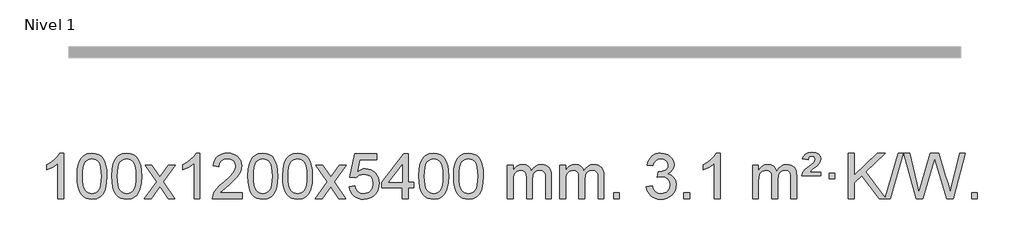
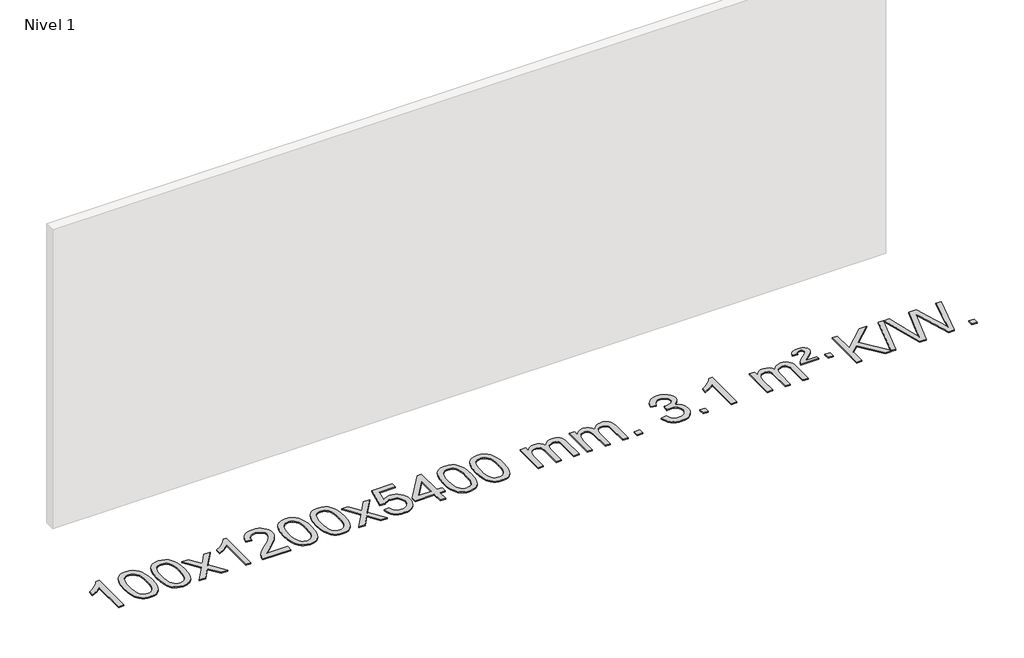
# One storey, part 14 of 18: 1 proxy.
"""IFC4 building model written with IfcOpenShell, lengths in millimetres."""

from ifc_helpers import new_model, si_unit, origin, origin_with_axes, place, context, project, spatial, polyline, outline, extrude, element, save

model = new_model("IFC4")

# Units and contexts
model_context = context("Model", 3, world=origin())
ifc_project = project(units=[si_unit("LENGTHUNIT", "METRE", prefix="MILLI")], contexts=[model_context])

# Site, building, storey
site = spatial("IfcSite", under=ifc_project)
building = spatial("IfcBuilding", under=site)
storey = spatial("IfcBuildingStorey", under=building, Name="Nivel 1", Elevation=0.0)

# Proxy
placement = place(None, origin())
element("IfcBuildingElementProxy", 1, Name="Texto de modelo 1", ObjectType="Texto de modelo 1", at=placement, inside=storey, context=model_context, shape_type="SweptSolid", body=[
    extrude(outline(polyline([(-275.4615788, -15470.579453), (-325.6897338, -15470.579453), (-325.6897338, -15157.4382987), (-346.6590076, -15174.3976587), (-373.2691385, -15191.3324932), (-426.146044, -15216.6918254), (-426.146044, -15169.2105225), (-386.6968314, -15147.7507395), (-352.520594, -15122.219729), (-325.5793692, -15095.0700378), (-307.8351943, -15068.7542124), (-275.4615788, -15068.7542124), (-275.4615788, -15470.579453)])), origin_with_axes(), (0.0, 0.0, 1.0), 10.0),
    extrude(outline(polyline([(-156.1697105, -15272.9041943), (-152.4786278, -15208.5861588), (-141.4053797, -15157.2911459), (-123.0603309, -15118.2343407), (-111.2022679, -15103.0009605), (-97.5538459, -15090.6309284), (-82.0690796, -15081.0598651), (-64.7019837, -15074.2233914), (-24.3208034, -15068.7542124), (6.6303351, -15071.991574), (34.3441121, -15081.7036586), (57.5206778, -15097.5103217), (74.8601825, -15119.0314184), (87.9567815, -15146.0830078), (98.4046302, -15178.4811488), (105.2472353, -15219.6226186), (107.5281037, -15272.9041943), (103.8738092, -15336.8543477), (92.9109257, -15388.0267333), (74.6762415, -15427.1203266), (62.8457697, -15442.3996922), (49.2065447, -15454.8341036), (33.7033843, -15464.4695462), (16.2811061, -15471.3520052), (-24.3208034, -15476.8579724), (-51.9855294, -15474.4667394), (-76.5109958, -15467.2930405), (-97.8972024, -15455.3368757), (-116.1441494, -15438.5982449), (-133.6553324, -15408.3399508), (-146.1633202, -15370.6381776), (-153.6681129, -15325.4929255), (-156.1697105, -15272.9041943)]), holes=[polyline([(-105.9415554, -15272.8060924), (-104.4700274, -15316.4706195), (-100.0554435, -15351.8148822), (-92.6978036, -15378.8388804), (-82.3971077, -15397.5426142), (-69.9381708, -15410.2682656), (-56.1058078, -15419.3580165), (-40.9000186, -15424.8118671), (-24.3208034, -15426.6298173), (-7.7415881, -15424.8057357), (7.464201, -15419.3334911), (21.296564, -15410.2130833), (33.7555009, -15397.4445124), (44.0561968, -15378.7101217), (51.4138367, -15351.6922549), (55.8284206, -15316.3909118), (57.2999486, -15272.8060924), (55.8774716, -15230.2973278), (51.6100404, -15195.5753989), (44.4976552, -15168.6403055), (34.5403158, -15149.4920476), (22.2898454, -15136.1440625), (8.2980668, -15126.6097875), (-7.4350198, -15120.8892225), (-24.9094146, -15118.9823675), (-41.4027907, -15120.6623619), (-56.3510624, -15125.7023452), (-69.7542298, -15134.1023175), (-81.6122928, -15145.8622786), (-92.2563452, -15166.708925), (-99.8592397, -15194.8151094), (-104.4209765, -15230.1808319), (-105.9415554, -15272.8060924)])]), origin_with_axes(), (0.0, 0.0, 1.0), 10.0),
    extrude(outline(polyline([(151.4777394, -15272.9041943), (155.1688221, -15208.5861588), (166.2420701, -15157.2911459), (184.5871189, -15118.2343407), (196.4451819, -15103.0009605), (210.0936039, -15090.6309284), (225.5783702, -15081.0598651), (242.9454661, -15074.2233914), (283.3266464, -15068.7542124), (314.277785, -15071.991574), (341.9915619, -15081.7036586), (365.1681276, -15097.5103217), (382.5076323, -15119.0314184), (395.6042314, -15146.0830078), (406.05208, -15178.4811488), (412.8946851, -15219.6226186), (415.1755535, -15272.9041943), (411.521259, -15336.8543477), (400.5583756, -15388.0267333), (382.3236913, -15427.1203266), (370.4932195, -15442.3996922), (356.8539945, -15454.8341036), (341.3508341, -15464.4695462), (323.928556, -15471.3520052), (283.3266464, -15476.8579724), (255.6619204, -15474.4667394), (231.1364541, -15467.2930405), (209.7502474, -15455.3368757), (191.5033004, -15438.5982449), (173.9921175, -15408.3399508), (161.4841296, -15370.6381776), (153.9793369, -15325.4929255), (151.4777394, -15272.9041943)]), holes=[polyline([(201.7058944, -15272.8060924), (203.1774224, -15316.4706195), (207.5920064, -15351.8148822), (214.9496463, -15378.8388804), (225.2503421, -15397.5426142), (237.709279, -15410.2682656), (251.5416421, -15419.3580165), (266.7474312, -15424.8118671), (283.3266464, -15426.6298173), (299.9058617, -15424.8057357), (315.1116508, -15419.3334911), (328.9440138, -15410.2130833), (341.4029507, -15397.4445124), (351.7036466, -15378.7101217), (359.0612865, -15351.6922549), (363.4758705, -15316.3909118), (364.9473984, -15272.8060924), (363.5249214, -15230.2973278), (359.2574902, -15195.5753989), (352.145105, -15168.6403055), (342.1877657, -15149.4920476), (329.9372952, -15136.1440625), (315.9455167, -15126.6097875), (300.21243, -15120.8892225), (282.7380352, -15118.9823675), (266.2446591, -15120.6623619), (251.2963874, -15125.7023452), (237.89322, -15134.1023175), (226.0351571, -15145.8622786), (215.3911047, -15166.708925), (207.7882101, -15194.8151094), (203.2264734, -15230.1808319), (201.7058944, -15272.8060924)])]), origin_with_axes(), (0.0, 0.0, 1.0), 10.0),
    extrude(outline(polyline([(440.2896311, -15470.579453), (547.6130718, -15322.2494325), (446.5681504, -15175.4890419), (506.9988995, -15175.4890419), (555.7555266, -15246.122385), (578.5151594, -15279.4770192), (598.2336343, -15252.2047007), (653.7592901, -15175.4890419), (714.1900392, -15175.4890419), (608.0438209, -15322.2494325), (710.2659646, -15470.579453), (649.8352155, -15470.579453), (588.3253459, -15381.4048574), (577.0436314, -15365.1199477), (500.7203801, -15470.579453), (440.2896311, -15470.579453)])), origin_with_axes(), (0.0, 0.0, 1.0), 10.0),
    extrude(outline(polyline([(930.014143, -15470.579453), (879.785988, -15470.579453), (879.785988, -15157.4382987), (858.8167142, -15174.3976587), (832.2065832, -15191.3324932), (779.3296778, -15216.6918254), (779.3296778, -15169.2105225), (818.7788904, -15147.7507395), (852.9551278, -15122.219729), (879.8963526, -15095.0700378), (897.6405275, -15068.7542124), (930.014143, -15068.7542124), (930.014143, -15470.579453)])), origin_with_axes(), (0.0, 0.0, 1.0), 10.0),
    extrude(outline(polyline([(1306.7253061, -15420.3512979), (1306.7253061, -15470.579453), (1043.0274919, -15470.579453), (1044.1311379, -15452.8965918), (1048.4230945, -15435.9494945), (1060.808455, -15408.8856424), (1078.9327747, -15382.6311307), (1105.1504982, -15355.1503456), (1141.8160704, -15324.4076736), (1196.017351, -15276.2641831), (1228.5381194, -15240.7267824), (1244.7985036, -15211.884834), (1250.2186316, -15183.8277005), (1245.1050719, -15158.6768347), (1229.7643927, -15137.7688747), (1206.1831568, -15123.6789943), (1176.347927, -15118.9823675), (1145.0166437, -15123.5686297), (1120.6751184, -15137.3274163), (1104.9665572, -15159.1796068), (1099.5341664, -15188.0460807), (1049.3060113, -15181.7675613), (1053.6255591, -15155.838012), (1061.4829054, -15133.1826125), (1072.8780502, -15113.8013627), (1087.8109935, -15097.6942627), (1105.9383788, -15085.0329907), (1126.9168496, -15075.989225), (1150.7464058, -15070.5629655), (1177.4270475, -15068.7542124), (1204.3468125, -15070.7653006), (1228.3051275, -15076.7985654), (1249.3019923, -15086.8540066), (1267.3374071, -15100.9316242), (1281.8227607, -15117.9890861), (1292.1694418, -15136.9840598), (1298.3774505, -15157.9165453), (1300.4467867, -15180.7865427), (1298.2149693, -15204.8092369), (1291.519517, -15228.4149983), (1279.6369285, -15252.4254299), (1261.8437027, -15277.6621347), (1233.4800009, -15307.7916701), (1189.8859844, -15346.4805933), (1132.1039857, -15394.795762), (1109.4424548, -15420.3512979), (1306.7253061, -15420.3512979)])), origin_with_axes(), (0.0, 0.0, 1.0), 10.0),
    extrude(outline(polyline([(1356.9534612, -15272.9041943), (1360.6445439, -15208.5861588), (1371.7177919, -15157.2911459), (1390.0628407, -15118.2343407), (1401.9209037, -15103.0009605), (1415.5693257, -15090.6309284), (1431.054092, -15081.0598651), (1448.4211879, -15074.2233914), (1488.8023682, -15068.7542124), (1519.7535068, -15071.991574), (1547.4672837, -15081.7036586), (1570.6438494, -15097.5103217), (1587.9833541, -15119.0314184), (1601.0799532, -15146.0830078), (1611.5278018, -15178.4811488), (1618.3704069, -15219.6226186), (1620.6512753, -15272.9041943), (1616.9969808, -15336.8543477), (1606.0340974, -15388.0267333), (1587.7994131, -15427.1203266), (1575.9689413, -15442.3996922), (1562.3297163, -15454.8341036), (1546.8265559, -15464.4695462), (1529.4042778, -15471.3520052), (1488.8023682, -15476.8579724), (1461.1376422, -15474.4667394), (1436.6121759, -15467.2930405), (1415.2259692, -15455.3368757), (1396.9790222, -15438.5982449), (1379.4678393, -15408.3399508), (1366.9598514, -15370.6381776), (1359.4550587, -15325.4929255), (1356.9534612, -15272.9041943)]), holes=[polyline([(1407.1816162, -15272.8060924), (1408.6531442, -15316.4706195), (1413.0677282, -15351.8148822), (1420.4253681, -15378.8388804), (1430.7260639, -15397.5426142), (1443.1850008, -15410.2682656), (1457.0173639, -15419.3580165), (1472.223153, -15424.8118671), (1488.8023682, -15426.6298173), (1505.3815835, -15424.8057357), (1520.5873726, -15419.3334911), (1534.4197356, -15410.2130833), (1546.8786725, -15397.4445124), (1557.1793684, -15378.7101217), (1564.5370083, -15351.6922549), (1568.9515923, -15316.3909118), (1570.4231202, -15272.8060924), (1569.0006432, -15230.2973278), (1564.733212, -15195.5753989), (1557.6208268, -15168.6403055), (1547.6634875, -15149.4920476), (1535.413017, -15136.1440625), (1521.4212385, -15126.6097875), (1505.6881518, -15120.8892225), (1488.213757, -15118.9823675), (1471.7203809, -15120.6623619), (1456.7721092, -15125.7023452), (1443.3689418, -15134.1023175), (1431.5108789, -15145.8622786), (1420.8668265, -15166.708925), (1413.2639319, -15194.8151094), (1408.7021952, -15230.1808319), (1407.1816162, -15272.8060924)])]), origin_with_axes(), (0.0, 0.0, 1.0), 10.0),
    extrude(outline(polyline([(1664.600911, -15272.9041943), (1668.2919937, -15208.5861588), (1679.3652417, -15157.2911459), (1697.7102906, -15118.2343407), (1709.5683535, -15103.0009605), (1723.2167756, -15090.6309284), (1738.7015419, -15081.0598651), (1756.0686377, -15074.2233914), (1796.4498181, -15068.7542124), (1827.4009566, -15071.991574), (1855.1147336, -15081.7036586), (1878.2912993, -15097.5103217), (1895.630804, -15119.0314184), (1908.727403, -15146.0830078), (1919.1752517, -15178.4811488), (1926.0178568, -15219.6226186), (1928.2987251, -15272.9041943), (1924.6444307, -15336.8543477), (1913.6815472, -15388.0267333), (1895.446863, -15427.1203266), (1883.6163911, -15442.3996922), (1869.9771662, -15454.8341036), (1854.4740058, -15464.4695462), (1837.0517276, -15471.3520052), (1796.4498181, -15476.8579724), (1768.785092, -15474.4667394), (1744.2596257, -15467.2930405), (1722.873419, -15455.3368757), (1704.6264721, -15438.5982449), (1687.1152891, -15408.3399508), (1674.6073013, -15370.6381776), (1667.1025086, -15325.4929255), (1664.600911, -15272.9041943)]), holes=[polyline([(1714.8290661, -15272.8060924), (1716.3005941, -15316.4706195), (1720.715178, -15351.8148822), (1728.0728179, -15378.8388804), (1738.3735138, -15397.5426142), (1750.8324507, -15410.2682656), (1764.6648137, -15419.3580165), (1779.8706028, -15424.8118671), (1796.4498181, -15426.6298173), (1813.0290333, -15424.8057357), (1828.2348225, -15419.3334911), (1842.0671855, -15410.2130833), (1854.5261224, -15397.4445124), (1864.8268182, -15378.7101217), (1872.1844581, -15351.6922549), (1876.5990421, -15316.3909118), (1878.0705701, -15272.8060924), (1876.648093, -15230.2973278), (1872.3806619, -15195.5753989), (1865.2682766, -15168.6403055), (1855.3109373, -15149.4920476), (1843.0604669, -15136.1440625), (1829.0686883, -15126.6097875), (1813.3356016, -15120.8892225), (1795.8612069, -15118.9823675), (1779.3678308, -15120.6623619), (1764.419559, -15125.7023452), (1751.0163917, -15134.1023175), (1739.1583287, -15145.8622786), (1728.5142763, -15166.708925), (1720.9113817, -15194.8151094), (1716.349645, -15230.1808319), (1714.8290661, -15272.8060924)])]), origin_with_axes(), (0.0, 0.0, 1.0), 10.0),
    extrude(outline(polyline([(1953.4128027, -15470.579453), (2060.7362434, -15322.2494325), (1959.6913221, -15175.4890419), (2020.1220711, -15175.4890419), (2068.8786982, -15246.122385), (2091.638331, -15279.4770192), (2111.3568059, -15252.2047007), (2166.8824617, -15175.4890419), (2227.3132108, -15175.4890419), (2121.1669925, -15322.2494325), (2223.3891362, -15470.579453), (2162.9583871, -15470.579453), (2101.4485175, -15381.4048574), (2090.166803, -15365.1199477), (2013.8435518, -15470.579453), (1953.4128027, -15470.579453)])), origin_with_axes(), (0.0, 0.0, 1.0), 10.0),
    extrude(outline(polyline([(2254.7817331, -15363.8446235), (2305.0098882, -15357.5661041), (2314.2314635, -15387.7201649), (2330.3201695, -15409.3148381), (2353.2024296, -15422.3010725), (2382.8046674, -15426.6298173), (2401.9345312, -15425.1245668), (2418.808052, -15420.6088153), (2433.42523, -15413.0825628), (2445.786065, -15402.5458094), (2455.6146457, -15389.519721), (2462.6350604, -15374.5254641), (2468.2513922, -15338.6324441), (2462.9906797, -15304.8363514), (2456.414789, -15290.9181493), (2447.2085421, -15278.9865099), (2435.341282, -15269.4154467), (2420.7823521, -15262.5789729), (2383.5894824, -15257.1097939), (2359.2234316, -15259.2925604), (2339.4926939, -15265.8408599), (2323.7350818, -15275.8717757), (2311.2884076, -15288.5023908), (2261.0602525, -15282.2238715), (2305.0098882, -15075.0327318), (2499.6439891, -15075.0327318), (2499.6439891, -15125.2608869), (2345.6240605, -15125.2608869), (2324.139752, -15235.919791), (2341.8655328, -15223.2155994), (2360.0205092, -15214.1411769), (2378.6046813, -15208.6965234), (2397.6180491, -15206.8816388), (2422.0791361, -15209.1318504), (2444.547529, -15215.882485), (2465.0232277, -15227.1335427), (2483.5062323, -15242.8850234), (2498.8070576, -15262.1743027), (2509.7362185, -15284.038756), (2516.2937151, -15308.4783832), (2518.4795473, -15335.4931844), (2516.5113786, -15361.5147042), (2510.6068726, -15385.7213394), (2500.7660292, -15408.1130902), (2486.9888485, -15428.6899565), (2466.1176766, -15449.7634634), (2441.7638885, -15464.8159684), (2413.9274842, -15473.8474714), (2382.6084637, -15476.8579724), (2356.6881115, -15474.9235262), (2333.2754882, -15469.1201877), (2312.3705938, -15459.447957), (2293.9734283, -15445.9068338), (2278.6664717, -15429.1712688), (2267.0322036, -15409.915712), (2259.0706241, -15388.1401636), (2254.7817331, -15363.8446235)])), origin_with_axes(), (0.0, 0.0, 1.0), 10.0),
    extrude(outline(polyline([(2725.670687, -15470.579453), (2725.670687, -15376.4016622), (2543.5936248, -15376.4016622), (2543.5936248, -15326.1735072), (2738.2277257, -15075.0327318), (2775.898842, -15075.0327318), (2775.898842, -15326.1735072), (2826.1269971, -15326.1735072), (2826.1269971, -15376.4016622), (2775.898842, -15376.4016622), (2775.898842, -15470.579453), (2725.670687, -15470.579453)]), holes=[polyline([(2725.670687, -15326.1735072), (2725.670687, -15170.9763561), (2605.3978, -15326.1735072), (2725.670687, -15326.1735072)])]), origin_with_axes(), (0.0, 0.0, 1.0), 10.0),
    extrude(outline(polyline([(2870.0766328, -15272.9041943), (2873.7677155, -15208.5861588), (2884.8409635, -15157.2911459), (2903.1860124, -15118.2343407), (2915.0440753, -15103.0009605), (2928.6924974, -15090.6309284), (2944.1772637, -15081.0598651), (2961.5443595, -15074.2233914), (3001.9255399, -15068.7542124), (3032.8766784, -15071.991574), (3060.5904554, -15081.7036586), (3083.7670211, -15097.5103217), (3101.1065258, -15119.0314184), (3114.2031248, -15146.0830078), (3124.6509735, -15178.4811488), (3131.4935786, -15219.6226186), (3133.7744469, -15272.9041943), (3130.1201525, -15336.8543477), (3119.157269, -15388.0267333), (3100.9225848, -15427.1203266), (3089.0921129, -15442.3996922), (3075.452888, -15454.8341036), (3059.9497276, -15464.4695462), (3042.5274494, -15471.3520052), (3001.9255399, -15476.8579724), (2974.2608138, -15474.4667394), (2949.7353475, -15467.2930405), (2928.3491408, -15455.3368757), (2910.1021939, -15438.5982449), (2892.5910109, -15408.3399508), (2880.0830231, -15370.6381776), (2872.5782304, -15325.4929255), (2870.0766328, -15272.9041943)]), holes=[polyline([(2920.3047879, -15272.8060924), (2921.7763158, -15316.4706195), (2926.1908998, -15351.8148822), (2933.5485397, -15378.8388804), (2943.8492356, -15397.5426142), (2956.3081725, -15410.2682656), (2970.1405355, -15419.3580165), (2985.3463246, -15424.8118671), (3001.9255399, -15426.6298173), (3018.5047551, -15424.8057357), (3033.7105442, -15419.3334911), (3047.5429073, -15410.2130833), (3060.0018442, -15397.4445124), (3070.30254, -15378.7101217), (3077.6601799, -15351.6922549), (3082.0747639, -15316.3909118), (3083.5462919, -15272.8060924), (3082.1238148, -15230.2973278), (3077.8563837, -15195.5753989), (3070.7439984, -15168.6403055), (3060.7866591, -15149.4920476), (3048.5361887, -15136.1440625), (3034.5444101, -15126.6097875), (3018.8113234, -15120.8892225), (3001.3369287, -15118.9823675), (2984.8435526, -15120.6623619), (2969.8952808, -15125.7023452), (2956.4921135, -15134.1023175), (2944.6340505, -15145.8622786), (2933.9899981, -15166.708925), (2926.3871035, -15194.8151094), (2921.8253668, -15230.1808319), (2920.3047879, -15272.8060924)])]), origin_with_axes(), (0.0, 0.0, 1.0), 10.0),
    extrude(outline(polyline([(3177.7240826, -15272.9041943), (3181.4151653, -15208.5861588), (3192.4884134, -15157.2911459), (3210.8334622, -15118.2343407), (3222.6915252, -15103.0009605), (3236.3399472, -15090.6309284), (3251.8247135, -15081.0598651), (3269.1918094, -15074.2233914), (3309.5729897, -15068.7542124), (3340.5241282, -15071.991574), (3368.2379052, -15081.7036586), (3391.4144709, -15097.5103217), (3408.7539756, -15119.0314184), (3421.8505746, -15146.0830078), (3432.2984233, -15178.4811488), (3439.1410284, -15219.6226186), (3441.4218968, -15272.9041943), (3437.7676023, -15336.8543477), (3426.8047188, -15388.0267333), (3408.5700346, -15427.1203266), (3396.7395628, -15442.3996922), (3383.1003378, -15454.8341036), (3367.5971774, -15464.4695462), (3350.1748992, -15471.3520052), (3309.5729897, -15476.8579724), (3281.9082637, -15474.4667394), (3257.3827973, -15467.2930405), (3235.9965907, -15455.3368757), (3217.7496437, -15438.5982449), (3200.2384607, -15408.3399508), (3187.7304729, -15370.6381776), (3180.2256802, -15325.4929255), (3177.7240826, -15272.9041943)]), holes=[polyline([(3227.9522377, -15272.8060924), (3229.4237657, -15316.4706195), (3233.8383496, -15351.8148822), (3241.1959895, -15378.8388804), (3251.4966854, -15397.5426142), (3263.9556223, -15410.2682656), (3277.7879853, -15419.3580165), (3292.9937744, -15424.8118671), (3309.5729897, -15426.6298173), (3326.1522049, -15424.8057357), (3341.3579941, -15419.3334911), (3355.1903571, -15410.2130833), (3367.649294, -15397.4445124), (3377.9499899, -15378.7101217), (3385.3076298, -15351.6922549), (3389.7222137, -15316.3909118), (3391.1937417, -15272.8060924), (3389.7712646, -15230.2973278), (3385.5038335, -15195.5753989), (3378.3914483, -15168.6403055), (3368.4341089, -15149.4920476), (3356.1836385, -15136.1440625), (3342.1918599, -15126.6097875), (3326.4587733, -15120.8892225), (3308.9843785, -15118.9823675), (3292.4910024, -15120.6623619), (3277.5427307, -15125.7023452), (3264.1395633, -15134.1023175), (3252.2815003, -15145.8622786), (3241.6374479, -15166.708925), (3234.0345534, -15194.8151094), (3229.4728166, -15230.1808319), (3227.9522377, -15272.8060924)])]), origin_with_axes(), (0.0, 0.0, 1.0), 10.0),
    extrude(outline(polyline([(3654.8915558, -15470.579453), (3654.8915558, -15175.4890419), (3705.1197109, -15175.4890419), (3705.1197109, -15224.0494653), (3720.2273982, -15201.7435537), (3739.6515675, -15184.2691589), (3762.7300314, -15172.9751816), (3788.8006021, -15169.2105225), (3816.7351082, -15173.048758), (3839.126859, -15184.5634645), (3855.8532271, -15202.9943524), (3866.7915851, -15227.5811324), (3885.0998457, -15202.0439906), (3905.9832803, -15183.803175), (3929.4418888, -15172.8586857), (3955.4756714, -15169.2105225), (3975.5834881, -15170.7280358), (3993.2326268, -15175.2805755), (4008.4230875, -15182.8681416), (4021.1548702, -15193.4907342), (4031.2195085, -15207.2709806), (4038.4085358, -15224.3315082), (4042.7219522, -15244.6723168), (4044.1597577, -15268.2934066), (4044.1597577, -15470.579453), (3993.9316026, -15470.579453), (3993.9316026, -15289.875817), (3992.7666429, -15264.8230531), (3989.271764, -15247.9372695), (3982.7234645, -15236.3735121), (3972.3982431, -15227.2868268), (3959.1177031, -15221.4007149), (3943.7034475, -15219.4386776), (3916.4924426, -15224.4663982), (3894.3091583, -15239.54956), (3885.7037853, -15251.1194488), (3879.5570903, -15265.7182326), (3874.6397343, -15304.0024856), (3874.6397343, -15470.579453), (3824.4115792, -15470.579453), (3824.4115792, -15284.2840106), (3821.5053115, -15255.8835206), (3812.7865082, -15235.6254854), (3797.445829, -15223.4853796), (3774.6739335, -15219.4386776), (3755.3233405, -15222.1364789), (3737.4933265, -15230.2298828), (3722.7780467, -15243.5226856), (3712.7716564, -15261.8186835), (3707.0326973, -15287.2025411), (3705.1197109, -15321.7589232), (3705.1197109, -15470.579453), (3654.8915558, -15470.579453)])), origin_with_axes(), (0.0, 0.0, 1.0), 10.0),
    extrude(outline(polyline([(4119.5019903, -15470.579453), (4119.5019903, -15175.4890419), (4169.7301454, -15175.4890419), (4169.7301454, -15224.0494653), (4184.8378326, -15201.7435537), (4204.262002, -15184.2691589), (4227.3404658, -15172.9751816), (4253.4110365, -15169.2105225), (4281.3455427, -15173.048758), (4303.7372935, -15184.5634645), (4320.4636615, -15202.9943524), (4331.4020195, -15227.5811324), (4349.7102801, -15202.0439906), (4370.5937147, -15183.803175), (4394.0523233, -15172.8586857), (4420.0861058, -15169.2105225), (4440.1939225, -15170.7280358), (4457.8430612, -15175.2805755), (4473.033522, -15182.8681416), (4485.7653047, -15193.4907342), (4495.8299429, -15207.2709806), (4503.0189703, -15224.3315082), (4507.3323866, -15244.6723168), (4508.7701921, -15268.2934066), (4508.7701921, -15470.579453), (4458.542037, -15470.579453), (4458.542037, -15289.875817), (4457.3770774, -15264.8230531), (4453.8821984, -15247.9372695), (4447.3338989, -15236.3735121), (4437.0086776, -15227.2868268), (4423.7281376, -15221.4007149), (4408.313882, -15219.4386776), (4381.1028771, -15224.4663982), (4358.9195927, -15239.54956), (4350.3142197, -15251.1194488), (4344.1675247, -15265.7182326), (4339.2501687, -15304.0024856), (4339.2501687, -15470.579453), (4289.0220137, -15470.579453), (4289.0220137, -15284.2840106), (4286.1157459, -15255.8835206), (4277.3969426, -15235.6254854), (4262.0562634, -15223.4853796), (4239.2843679, -15219.4386776), (4219.933775, -15222.1364789), (4202.1037609, -15230.2298828), (4187.3884811, -15243.5226856), (4177.3820909, -15261.8186835), (4171.6431317, -15287.2025411), (4169.7301454, -15321.7589232), (4169.7301454, -15470.579453), (4119.5019903, -15470.579453)])), origin_with_axes(), (0.0, 0.0, 1.0), 10.0),
    extrude(outline(polyline([(4596.6694635, -15470.579453), (4596.6694635, -15420.3512979), (4646.8976186, -15420.3512979), (4646.8976186, -15470.579453), (4596.6694635, -15470.579453)])), origin_with_axes(), (0.0, 0.0, 1.0), 10.0),
    extrude(outline(polyline([(4885.4813552, -15363.8446235), (4935.7095102, -15357.5661041), (4946.9544366, -15389.1303793), (4963.4232872, -15410.4430095), (4985.9254026, -15422.5831154), (5015.2701231, -15426.6298173), (5049.7038778, -15421.0625364), (5063.9776992, -15414.1034354), (5076.2894833, -15404.3606939), (5093.2856315, -15379.4428201), (5098.9510142, -15349.2274455), (5093.3346824, -15320.5449126), (5076.4856871, -15297.2825078), (5050.9792021, -15281.8682522), (5019.3904014, -15276.730167), (4984.1718317, -15282.2238715), (4989.7636381, -15231.9957164), (4997.807991, -15232.5843276), (5027.9007382, -15228.979084), (5054.8051748, -15218.1633534), (5065.8784229, -15209.9841103), (5073.7878858, -15199.8673555), (5078.5335635, -15187.8130888), (5080.1154561, -15173.8213102), (5075.5291939, -15152.1285352), (5061.7704073, -15134.5315131), (5040.7766081, -15122.8696539), (5014.4853081, -15118.9823675), (4988.1449573, -15122.9064421), (4966.6115978, -15134.6786659), (4950.8907739, -15154.299039), (4941.9880296, -15181.7675613), (4891.7598746, -15175.4890419), (4897.7134315, -15151.5092672), (4906.5487308, -15130.3867093), (4918.2657723, -15112.1213683), (4932.8645561, -15096.713244), (4949.8852298, -15084.4811677), (4968.8679407, -15075.7439703), (4989.812689, -15070.5016519), (5012.7194746, -15068.7542124), (5044.2960125, -15072.2000404), (5073.2973764, -15082.5375245), (5097.7492664, -15098.8469596), (5115.6773823, -15120.2086408), (5126.6770539, -15144.8199463), (5130.3436112, -15170.8782543), (5126.8609949, -15195.1584659), (5116.4131463, -15217.1823347), (5099.147218, -15235.9443165), (5075.2103628, -15250.4388671), (5106.6520107, -15263.1430586), (5129.9512037, -15284.77452), (5144.3721779, -15314.1560286), (5149.1791693, -15350.1103623), (5146.7756736, -15375.5923218), (5139.5651865, -15399.0631931), (5127.547708, -15420.5229762), (5110.7232381, -15439.971671), (5090.2260796, -15456.1094278), (5067.1905353, -15467.636397), (5041.6166053, -15474.5525785), (5013.5042895, -15476.8579724), (4988.0959064, -15474.8898037), (4964.9438661, -15468.9852977), (4944.0481688, -15459.1444543), (4925.4088144, -15445.3672736), (4909.779961, -15428.4630959), (4897.9157666, -15409.2412617), (4889.8162313, -15387.7017708), (4885.4813552, -15363.8446235)])), origin_with_axes(), (0.0, 0.0, 1.0), 10.0),
    extrude(outline(polyline([(5218.2428825, -15470.579453), (5218.2428825, -15420.3512979), (5268.4710376, -15420.3512979), (5268.4710376, -15470.579453), (5218.2428825, -15470.579453)])), origin_with_axes(), (0.0, 0.0, 1.0), 10.0),
    extrude(outline(polyline([(5538.4473711, -15470.579453), (5488.2192161, -15470.579453), (5488.2192161, -15157.4382987), (5467.2499423, -15174.3976587), (5440.6398114, -15191.3324932), (5387.7629059, -15216.6918254), (5387.7629059, -15169.2105225), (5427.2121185, -15147.7507395), (5461.3883559, -15122.219729), (5488.3295807, -15095.0700378), (5506.0737556, -15068.7542124), (5538.4473711, -15068.7542124), (5538.4473711, -15470.579453)])), origin_with_axes(), (0.0, 0.0, 1.0), 10.0),
    extrude(outline(polyline([(5827.2592628, -15470.579453), (5827.2592628, -15175.4890419), (5877.4874179, -15175.4890419), (5877.4874179, -15224.0494653), (5892.5951052, -15201.7435537), (5912.0192745, -15184.2691589), (5935.0977383, -15172.9751816), (5961.1683091, -15169.2105225), (5989.1028152, -15173.048758), (6011.494566, -15184.5634645), (6028.2209341, -15202.9943524), (6039.159292, -15227.5811324), (6057.4675527, -15202.0439906), (6078.3509873, -15183.803175), (6101.8095958, -15172.8586857), (6127.8433783, -15169.2105225), (6147.9511951, -15170.7280358), (6165.6003338, -15175.2805755), (6180.7907945, -15182.8681416), (6193.5225772, -15193.4907342), (6203.5872155, -15207.2709806), (6210.7762428, -15224.3315082), (6215.0896592, -15244.6723168), (6216.5274647, -15268.2934066), (6216.5274647, -15470.579453), (6166.2993096, -15470.579453), (6166.2993096, -15289.875817), (6165.1343499, -15264.8230531), (6161.639471, -15247.9372695), (6155.0911715, -15236.3735121), (6144.7659501, -15227.2868268), (6131.4854101, -15221.4007149), (6116.0711545, -15219.4386776), (6088.8601496, -15224.4663982), (6066.6768653, -15239.54956), (6058.0714923, -15251.1194488), (6051.9247973, -15265.7182326), (6047.0074413, -15304.0024856), (6047.0074413, -15470.579453), (5996.7792862, -15470.579453), (5996.7792862, -15284.2840106), (5993.8730184, -15255.8835206), (5985.1542152, -15235.6254854), (5969.813536, -15223.4853796), (5947.0416405, -15219.4386776), (5927.6910475, -15222.1364789), (5909.8610335, -15230.2298828), (5895.1457537, -15243.5226856), (5885.1393634, -15261.8186835), (5879.4004043, -15287.2025411), (5877.4874179, -15321.7589232), (5877.4874179, -15470.579453), (5827.2592628, -15470.579453)])), origin_with_axes(), (0.0, 0.0, 1.0), 10.0),
    extrude(outline(polyline([(6260.4771003, -15269.6668327), (6264.3030731, -15253.8479069), (6272.6417317, -15237.9799302), (6294.1505656, -15212.8413272), (6326.1072483, -15185.1030247), (6370.2530877, -15147.726214), (6377.3899984, -15136.1992448), (6379.7689686, -15124.3779701), (6377.8805077, -15112.2869152), (6372.215125, -15102.5012541), (6362.8463969, -15096.026531), (6349.8478997, -15093.8682899), (6337.4134883, -15095.4869707), (6328.5597949, -15100.343013), (6322.1341227, -15109.8098431), (6316.9837748, -15125.2608869), (6266.7556197, -15118.9823675), (6277.5958759, -15093.7701881), (6294.224142, -15076.2099542), (6317.9893189, -15065.9092583), (6350.2403072, -15062.475693), (6386.0229626, -15066.6082341), (6410.7691581, -15079.0058573), (6425.1901323, -15097.3386434), (6429.9971237, -15119.2766731), (6425.9013708, -15142.1834586), (6413.6141122, -15163.8149199), (6393.0862969, -15183.6314968), (6356.6169284, -15211.6886303), (6331.0123416, -15238.2742358), (6429.9971237, -15238.2742358), (6429.9971237, -15269.6668327), (6260.4771003, -15269.6668327)])), origin_with_axes(), (0.0, 0.0, 1.0), 10.0),
    extrude(outline(polyline([(6505.3393563, -15294.7809102), (6505.3393563, -15244.5527552), (6555.5675114, -15244.5527552), (6555.5675114, -15294.7809102), (6505.3393563, -15294.7809102)])), origin_with_axes(), (0.0, 0.0, 1.0), 10.0),
    extrude(outline(polyline([(6946.2091394, -15470.579453), (6792.7778219, -15267.9009991), (6725.0875348, -15332.4520265), (6725.0875348, -15470.579453), (6674.8593797, -15470.579453), (6674.8593797, -15068.7542124), (6725.0875348, -15068.7542124), (6725.0875348, -15265.4484525), (6931.1014521, -15068.7542124), (7001.3423877, -15068.7542124), (6828.388799, -15233.9577537), (7003.0424089, -15464.5349332), (7114.3557366, -15068.7542124), (7159.6787984, -15068.7542124), (7046.6654495, -15470.579453), (7007.6209071, -15470.579453), (7001.3423877, -15470.579453), (6946.2091394, -15470.579453)])), origin_with_axes(), (0.0, 0.0, 1.0), 10.0),
    extrude(outline(polyline([(7274.1636753, -15470.579453), (7164.5838917, -15068.7542124), (7216.3816766, -15068.7542124), (7279.9516854, -15332.844434), (7299.5720585, -15414.3670841), (7320.5658576, -15342.2622131), (7400.2245723, -15068.7542124), (7474.8800919, -15068.7542124), (7532.7601925, -15267.0180823), (7557.5554389, -15340.5944814), (7575.8269114, -15414.3670841), (7594.8586732, -15335.1988788), (7659.0172932, -15068.7542124), (7710.8150781, -15068.7542124), (7601.1371926, -15470.579453), (7547.4754723, -15470.579453), (7451.1394405, -15160.5775584), (7437.6994849, -15117.3146358), (7422.5917976, -15169.4067263), (7334.7906281, -15470.579453), (7274.1636753, -15470.579453)])), origin_with_axes(), (0.0, 0.0, 1.0), 10.0),
    extrude(outline(polyline([(7767.3217526, -15470.579453), (7767.3217526, -15420.3512979), (7817.5499077, -15420.3512979), (7817.5499077, -15470.579453), (7767.3217526, -15470.579453)])), origin_with_axes(), (0.0, 0.0, 1.0), 10.0),
])

save(model, "model.ifc")
